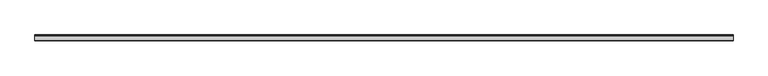
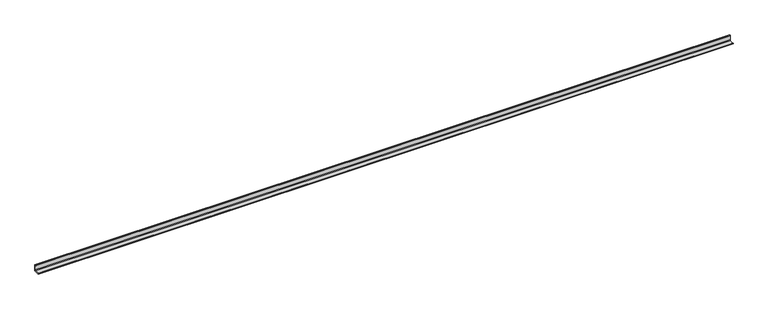
"""IFC4 building model written with IfcOpenShell, lengths in millimetres: beam geometry."""

from ifc_helpers import new_model, si_unit, point, frame, frame_2d, origin, place, context, project, spatial, polyline, circle_curve, trimmed, segment, composite_curve, outline, extrude, source, transform, mapped, element, save


def beam_ae986331(model_context):
    return source(origin(), model_context, "Body", "SweptSolid", [
        extrude(outline(composite_curve([segment(polyline([(21.3, -21.3), (-53.7, -21.3), (-53.7, -18.3)]), True, "CONTINUOUS"), segment(trimmed(circle_curve(frame_2d((-48.7, -18.3)), 5.0), [point((-53.7, -18.3))], [point((-48.7, -13.3))], False, "CARTESIAN"), True, "CONTINUOUS"), segment(polyline([(-48.7, -13.3), (5.3, -13.3)]), True, "CONTINUOUS"), segment(trimmed(circle_curve(frame_2d((5.3, -5.3)), 8.0), [point((5.3, -13.3))], [point((13.3, -5.3))], True, "CARTESIAN"), True, "CONTINUOUS"), segment(polyline([(13.3, -5.3), (13.3, 48.7)]), True, "CONTINUOUS"), segment(trimmed(circle_curve(frame_2d((18.3, 48.7)), 5.0), [point((13.3, 48.7))], [point((18.3, 53.7))], False, "CARTESIAN"), True, "CONTINUOUS"), segment(polyline([(18.3, 53.7), (21.3, 53.7), (21.3, -21.3)]), True, "CONTINUOUS")], self_intersect=False)), frame((-4402.0, 0.0, 0.0), z_axis=(1.0, 0.0, 0.0), x_axis=(0.0, 1.0, 0.0)), (0.0, 0.0, 1.0), 8767.0),
    ])


if __name__ == "__main__":
    model = new_model("IFC4")
    model_context = context("Model", 3, world=origin())
    ifc_project = project(units=[si_unit("LENGTHUNIT", "METRE", prefix="MILLI")], contexts=[model_context])
    site = spatial("IfcSite", under=ifc_project)
    building = spatial("IfcBuilding", under=site)
    placement = place(None, origin())
    beam_shape = beam_ae986331(model_context)
    element("IfcBeam", 1, at=placement, inside=building, context=model_context, shape_type="MappedRepresentation", body=[
        mapped(beam_shape, transform((0.0, 0.0, 0.0), x_axis=(1.0, 0.0, 0.0), y_axis=(0.0, 1.0, 0.0), z_axis=(0.0, 0.0, 1.0))),
    ])
    save(model, "model.ifc")
